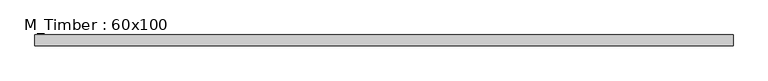
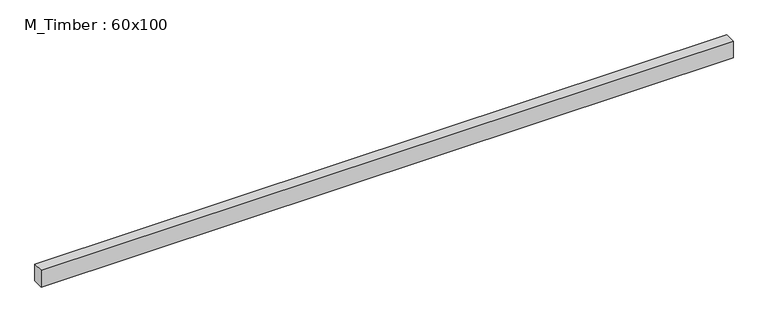
"""IFC4 building model written with IfcOpenShell, lengths in millimetres: beam geometry, M_Timber : 60x100."""

from ifc_helpers import new_model, si_unit, frame, origin, place, context, project, spatial, polyline, outline, extrude, source, transform, mapped, element, save


def m_timber_60x100_c73eae27(model_context):
    return source(origin(), model_context, "Body", "SweptSolid", [
        extrude(outline(polyline([(1955.9552346, 30.0), (1955.9552346, -30.0), (-1936.9444257, -30.0), (-1936.9444257, 30.0), (1955.9552346, 30.0)])), frame((0.0, 0.0, -50.0), z_axis=(0.0, 0.0, 1.0), x_axis=(1.0, 0.0, 0.0)), (0.0, 0.0, 1.0), 100.0),
    ])


if __name__ == "__main__":
    model = new_model("IFC4")
    model_context = context("Model", 3, world=origin())
    ifc_project = project(units=[si_unit("LENGTHUNIT", "METRE", prefix="MILLI")], contexts=[model_context])
    site = spatial("IfcSite", under=ifc_project)
    building = spatial("IfcBuilding", under=site)
    placement = place(None, origin())
    m_timber_60x100_shape = m_timber_60x100_c73eae27(model_context)
    element("IfcBeam", 1, ObjectType="M_Timber : 60x100", at=placement, inside=building, context=model_context, shape_type="MappedRepresentation", body=[
        mapped(m_timber_60x100_shape, transform((0.0, 0.0, 0.0), x_axis=(1.0, 0.0, 0.0), y_axis=(0.0, 1.0, 0.0), z_axis=(0.0, 0.0, 1.0))),
    ])
    save(model, "model.ifc")
